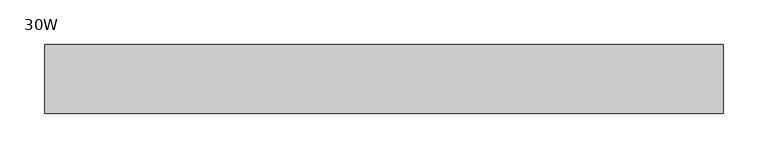
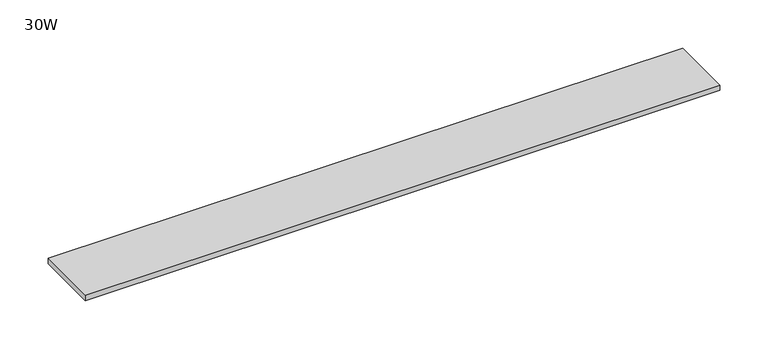
"""IFC4 building model written with IfcOpenShell, lengths in millimetres: furniture geometry, 30W."""

from ifc_helpers import new_model, si_unit, frame, origin, place, context, project, spatial, polyline, outline, extrude, source, transform, mapped, element, save


def furniture_30w_aa6aaf5b(model_context):
    return source(origin(), model_context, "Body", "SweptSolid", [
        extrude(outline(polyline([(325.01205, 38.735), (325.01205, -38.735), (-436.98795, -38.735), (-436.98795, 38.735), (325.01205, 38.735)])), frame((0.0, 0.0, 870.966), z_axis=(0.0, 0.0, 1.0), x_axis=(1.0, 0.0, 0.0)), (0.0, 0.0, 1.0), 6.858),
    ])


if __name__ == "__main__":
    model = new_model("IFC4")
    model_context = context("Model", 3, world=origin())
    ifc_project = project(units=[si_unit("LENGTHUNIT", "METRE", prefix="MILLI")], contexts=[model_context])
    site = spatial("IfcSite", under=ifc_project)
    building = spatial("IfcBuilding", under=site)
    placement = place(None, origin())
    furniture_30w_shape = furniture_30w_aa6aaf5b(model_context)
    element("IfcFurniture", 1, ObjectType="30W", at=placement, inside=building, context=model_context, shape_type="MappedRepresentation", body=[
        mapped(furniture_30w_shape, transform((0.0, 0.0, 0.0), x_axis=(1.0, 0.0, 0.0), y_axis=(0.0, 1.0, 0.0), z_axis=(0.0, 0.0, 1.0))),
    ])
    save(model, "model.ifc")
